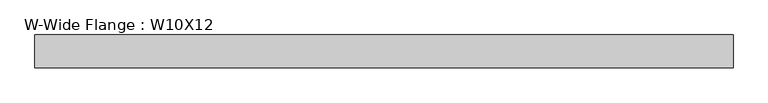
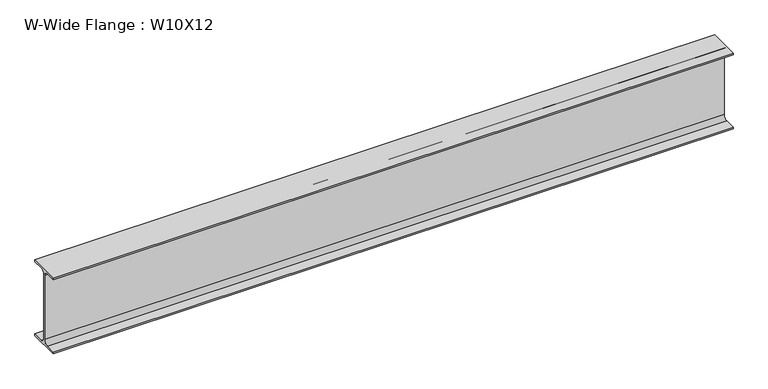
"""IFC4 building model written with IfcOpenShell, lengths in millimetres: beam geometry, W-Wide Flange : W10X12."""

from ifc_helpers import new_model, si_unit, point, frame, frame_2d, origin, place, context, project, spatial, polyline, circle_curve, trimmed, segment, composite_curve, outline, extrude, source, transform, mapped, element, save


def w_wide_flange_w10x12_b396cfbd(model_context):
    return source(origin(), model_context, "Body", "SweptSolid", [
        extrude(outline(composite_curve([segment(polyline([(50.3039062, -120.0050781), (50.3039062, -125.3628906), (-50.3039063, -125.3628906), (-50.3039063, -120.0050781), (-16.1230469, -120.0050781)]), True, "CONTINUOUS"), segment(trimmed(circle_curve(frame_2d((-16.1230469, -106.3128906)), 13.6921875), [point((-16.1230469, -120.0050781))], [point((-2.4308594, -106.3128906))], True, "CARTESIAN"), True, "CONTINUOUS"), segment(polyline([(-2.4308594, -106.3128906), (-2.4308594, 106.3128906)]), True, "CONTINUOUS"), segment(trimmed(circle_curve(frame_2d((-16.1230469, 106.3128906)), 13.6921875), [point((-2.4308594, 106.3128906))], [point((-16.1230469, 120.0050781))], True, "CARTESIAN"), True, "CONTINUOUS"), segment(polyline([(-16.1230469, 120.0050781), (-50.3039063, 120.0050781), (-50.3039063, 125.3628906), (50.3039062, 125.3628906), (50.3039062, 120.0050781), (16.1230469, 120.0050781)]), True, "CONTINUOUS"), segment(trimmed(circle_curve(frame_2d((16.1230469, 106.3128906)), 13.6921875), [point((16.1230469, 120.0050781))], [point((2.4308594, 106.3128906))], True, "CARTESIAN"), True, "CONTINUOUS"), segment(polyline([(2.4308594, 106.3128906), (2.4308594, -106.3128906)]), True, "CONTINUOUS"), segment(trimmed(circle_curve(frame_2d((16.1230469, -106.3128906)), 13.6921875), [point((2.4308594, -106.3128906))], [point((16.1230469, -120.0050781))], True, "CARTESIAN"), True, "CONTINUOUS"), segment(polyline([(16.1230469, -120.0050781), (50.3039062, -120.0050781)]), True, "CONTINUOUS")], self_intersect=False)), frame((-1073.15, 0.0, 0.0), z_axis=(1.0, 0.0, 0.0), x_axis=(0.0, 1.0, 0.0)), (0.0, 0.0, 1.0), 2133.6),
    ])


if __name__ == "__main__":
    model = new_model("IFC4")
    model_context = context("Model", 3, world=origin())
    ifc_project = project(units=[si_unit("LENGTHUNIT", "METRE", prefix="MILLI")], contexts=[model_context])
    site = spatial("IfcSite", under=ifc_project)
    building = spatial("IfcBuilding", under=site)
    placement = place(None, origin())
    w_wide_flange_w10x12_shape = w_wide_flange_w10x12_b396cfbd(model_context)
    element("IfcBeam", 1, ObjectType="W-Wide Flange : W10X12", at=placement, inside=building, context=model_context, shape_type="MappedRepresentation", body=[
        mapped(w_wide_flange_w10x12_shape, transform((0.0, 0.0, 0.0), x_axis=(1.0, 0.0, 0.0), y_axis=(0.0, 1.0, 0.0), z_axis=(0.0, 0.0, 1.0))),
    ])
    save(model, "model.ifc")
